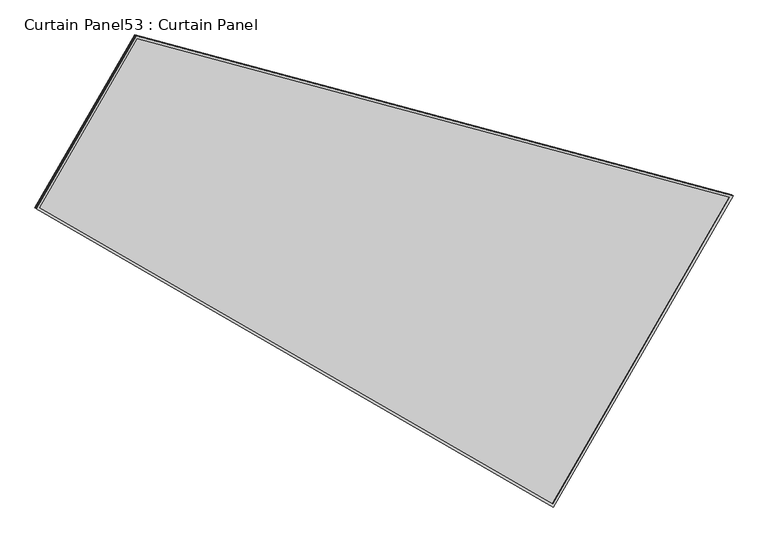
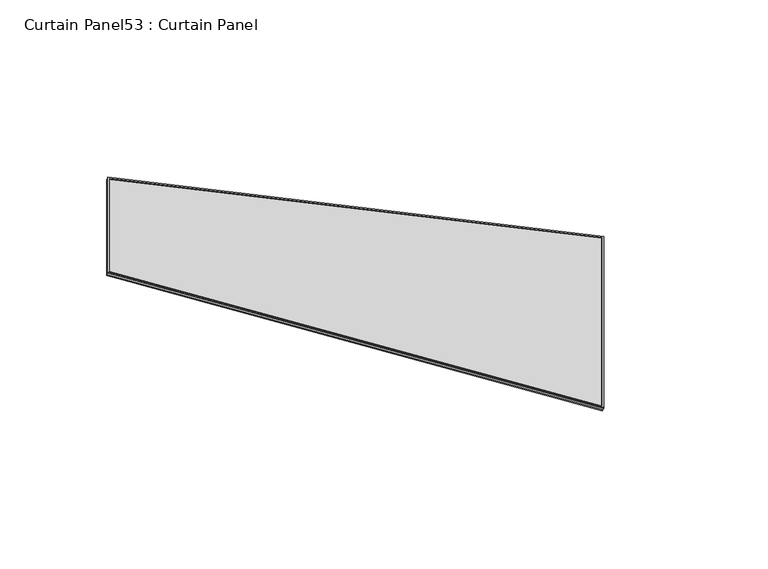
"""IFC4 building model written with IfcOpenShell, lengths in millimetres: plate geometry, Curtain Panel53 : Curtain Panel."""

import ifcopenshell
import ifcopenshell.guid

model = None  # the IFC model being written
_history = None  # IfcOwnerHistory: only IFC2X3 demands one
_inside = {}  # id of a spatial element -> (the spatial element, [elements in it])
_under = {}  # id of a project, library or spatial element -> (it, [spatial elements below it])
_declared = {}  # id of a project -> (the project, [libraries it declares])
_typed = {}  # id of a type object -> (the type object, [elements of that type])
_made_of = {}  # id of a material, layer set ... -> (it, [elements and type objects made of it])


def new_model(schema):
    """Start an empty IFC model of exactly this schema.

    Asked for "IFC4X3", IfcOpenShell would pick the latest addendum, in which some entities
    have other attributes; the version numbers below select the first issue.
    IFC2X3 requires an IfcOwnerHistory on every rooted entity: one is made here for all.
    """
    global model, _history
    if schema == "IFC4X3":
        model = ifcopenshell.file(schema_version=(4, 3, 0, 0))
    else:
        model = ifcopenshell.file(schema=schema)
    _inside.clear()
    _under.clear()
    _declared.clear()
    _typed.clear()
    _made_of.clear()
    _history = None
    if model.schema == "IFC2X3":
        org = make("IfcOrganization", Name="unknown")
        user = make(
            "IfcPersonAndOrganization",
            ThePerson=make("IfcPerson", FamilyName="unknown"),
            TheOrganization=org,
        )
        app = make(
            "IfcApplication",
            ApplicationDeveloper=org,
            Version="unknown",
            ApplicationFullName="unknown",
            ApplicationIdentifier="unknown",
        )
        _history = make(
            "IfcOwnerHistory",
            OwningUser=user,
            OwningApplication=app,
            ChangeAction="ADDED",
            CreationDate=0,
        )
    return model


def make(cls, **values):
    """One entity of the class cls with the attributes given. An attribute that is None is left unset."""
    return model.create_entity(
        cls, **{name: value for name, value in values.items() if value is not None}
    )


def rooted(cls, **values):
    """An entity with a GlobalId (a new one), such as an element, a storey or a relation."""
    return make(cls, GlobalId=ifcopenshell.guid.new(), OwnerHistory=_history, **values)


def si_unit(unit_type, name, prefix=None):
    """IfcSIUnit, for example si_unit("LENGTHUNIT", "METRE", prefix="MILLI")."""
    return make("IfcSIUnit", UnitType=unit_type, Prefix=prefix, Name=name)


def assignment(units):
    """IfcUnitAssignment: the units of a project."""
    return None if units is None else make("IfcUnitAssignment", Units=units)


def point(xyz):
    """IfcCartesianPoint."""
    return None if xyz is None else make("IfcCartesianPoint", Coordinates=xyz)


def direction(xyz):
    """IfcDirection."""
    return None if xyz is None else make("IfcDirection", DirectionRatios=xyz)


def frame(location, z_axis=None, x_axis=None):
    """IfcAxis2Placement3D, a coordinate frame: its origin and axes. An axis left out is left unset."""
    return make(
        "IfcAxis2Placement3D",
        Location=point(location),
        Axis=direction(z_axis),
        RefDirection=direction(x_axis),
    )


def origin():
    """The frame at (0, 0, 0) with its axes left unset."""
    return frame((0.0, 0.0, 0.0))


def place(relative_to, where):
    """IfcLocalPlacement: puts the frame where relative to a parent placement (None: the world)."""
    return make(
        "IfcLocalPlacement", PlacementRelTo=relative_to, RelativePlacement=where
    )


def context(
    kind, dimensions, precision=None, world=None, true_north=None, identifier=None
):
    """IfcGeometricRepresentationContext, for example the 3D "Model" context."""
    return make(
        "IfcGeometricRepresentationContext",
        ContextIdentifier=identifier,
        ContextType=kind,
        CoordinateSpaceDimension=dimensions,
        Precision=precision,
        WorldCoordinateSystem=world,
        TrueNorth=true_north,
    )


def project(units=None, contexts=None):
    """IfcProject with its units and contexts."""
    return rooted(
        "IfcProject",
        Name="project",
        RepresentationContexts=contexts,
        UnitsInContext=assignment(units),
    )


def spatial(cls, under=None, at=None, **own):
    """A site, building, storey or space (cls), placed at a placement, below another one or the project."""
    s = rooted(cls, ObjectPlacement=at, **own)
    if under is not None:
        _under.setdefault(under.id(), (under, []))[1].append(s)
    return s


def polyline(points):
    """IfcPolyline through the points."""
    return make("IfcPolyline", Points=[point(p) for p in points])


def outline(outer, holes=None, kind="AREA"):
    """IfcArbitraryClosedProfileDef: a profile drawn as a closed curve; with holes, ...WithVoids."""
    if holes is None:
        return make("IfcArbitraryClosedProfileDef", ProfileType=kind, OuterCurve=outer)
    return make(
        "IfcArbitraryProfileDefWithVoids",
        ProfileType=kind,
        OuterCurve=outer,
        InnerCurves=holes,
    )


def extrude(swept, where, along, depth):
    """IfcExtrudedAreaSolid: the profile swept, set in the frame where, extruded along a direction by depth."""
    return make(
        "IfcExtrudedAreaSolid",
        SweptArea=swept,
        Position=where,
        ExtrudedDirection=direction(along),
        Depth=depth,
    )


def shape(context_of_items, identifier, shape_type, items):
    """IfcShapeRepresentation: the items that make up one representation, for example the "Body"."""
    return make(
        "IfcShapeRepresentation",
        ContextOfItems=context_of_items,
        RepresentationIdentifier=identifier,
        RepresentationType=shape_type,
        Items=items,
    )


def source(mapping_origin, context_of_items, identifier, shape_type, items):
    """IfcRepresentationMap: a shape defined once, which mapped items show again and again."""
    return make(
        "IfcRepresentationMap",
        MappingOrigin=mapping_origin,
        MappedRepresentation=shape(context_of_items, identifier, shape_type, items),
    )


def transform(
    local_origin,
    x_axis=None,
    y_axis=None,
    z_axis=None,
    scale=None,
    scale2=None,
    scale3=None,
    uniform=True,
):
    """IfcCartesianTransformationOperator3D, or its non-uniform kind. x_axis, y_axis, z_axis: its Axis1, 2, 3."""
    if uniform:
        return make(
            "IfcCartesianTransformationOperator3D",
            Axis1=direction(x_axis),
            Axis2=direction(y_axis),
            LocalOrigin=point(local_origin),
            Scale=scale,
            Axis3=direction(z_axis),
        )
    return make(
        "IfcCartesianTransformationOperator3DnonUniform",
        Axis1=direction(x_axis),
        Axis2=direction(y_axis),
        LocalOrigin=point(local_origin),
        Scale=scale,
        Axis3=direction(z_axis),
        Scale2=scale2,
        Scale3=scale3,
    )


def mapped(mapping_source, mapping_target):
    """IfcMappedItem: shows the shape of a source again, moved by a transform."""
    return make(
        "IfcMappedItem", MappingSource=mapping_source, MappingTarget=mapping_target
    )


def made_of(thing, what):
    """Note that an element or type object is made of a material, layer set ...; save() writes the relation."""
    if what is not None:
        _made_of.setdefault(what.id(), (what, []))[1].append(thing)
    return thing


def element(
    cls,
    number,
    at=None,
    inside=None,
    cuts=None,
    type_object=None,
    material=None,
    context=None,
    identifier="Body",
    shape_type=None,
    held_by="IfcProductDefinitionShape",
    body=None,
    shapes=None,
    **own,
):
    """One element of the class cls, such as IfcWall. Its Tag is "e" and its number.

    at: its placement. inside: the storey or other place that contains it. cuts: it is an
    opening in that element (IfcRelVoidsElement). A single representation is given by context,
    identifier, shape_type and body (its items); several are given by shapes. held_by: the class
    of the entity that holds the representations. save() writes the other relations.
    """
    e = rooted(cls, Tag="e%d" % number, ObjectPlacement=at, **own)
    if body is not None:
        shapes = [shape(context, identifier, shape_type, body)]
    if shapes is not None:
        e.Representation = make(held_by, Representations=shapes)
    if inside is not None:
        _inside.setdefault(inside.id(), (inside, []))[1].append(e)
    if cuts is not None:
        rooted(
            "IfcRelVoidsElement", RelatingBuildingElement=cuts, RelatedOpeningElement=e
        )
    if type_object is not None:
        _typed.setdefault(type_object.id(), (type_object, []))[1].append(e)
    return made_of(e, material)


def aggregate(whole, parts):
    """IfcRelAggregates: a whole, such as a stair, and the parts it consists of."""
    return rooted("IfcRelAggregates", RelatingObject=whole, RelatedObjects=parts)


def save(model, path):
    """Write the relations noted so far, then the file.

    IfcRelAggregates (storeys below a building ...), IfcRelContainedInSpatialStructure (elements
    in a storey), IfcRelDefinesByType, IfcRelAssociatesMaterial and IfcRelDeclares: one each for
    every whole, place, type object, material and project.
    """
    for whole, parts in _under.values():
        aggregate(whole, parts)
    for where, things in _inside.values():
        rooted(
            "IfcRelContainedInSpatialStructure",
            RelatedElements=things,
            RelatingStructure=where,
        )
    for kind, things in _typed.values():
        rooted("IfcRelDefinesByType", RelatedObjects=things, RelatingType=kind)
    for what, things in _made_of.values():
        rooted("IfcRelAssociatesMaterial", RelatedObjects=things, RelatingMaterial=what)
    for by, libraries in _declared.values():
        rooted("IfcRelDeclares", RelatingContext=by, RelatedDefinitions=libraries)
    model.write(path)


def curtain_panel53_curtain_panel_5d743920(model_context):
    return source(origin(), model_context, "Body", "SweptSolid", [
        extrude(outline(polyline([(1623.791631, -2842.288964), (722.5275942, -2842.2889639), (0.0, 0.0), (1623.7916309, 0.0), (1623.791631, -2842.288964)]), holes=[polyline([(1612.6791309, -11.1125), (14.2907959, -11.1125), (731.1686564, -2831.176464), (1612.6791309, -2831.1764639), (1612.6791309, -11.1125)])]), frame((21657.8895275, -1191.2473083, -9.1437642), z_axis=(0.2737903148616868, -0.15807291198691067, 0.9487106081329106), x_axis=(-0.5000000000000088, -0.8660254037844337, 0.0)), (0.0, 0.0, 1.0), 4.8284778),
        extrude(outline(polyline([(1623.7916308, -2842.288964), (722.5275942, -2842.288964), (0.0, 0.0), (1623.7916309, 0.0), (1623.7916308, -2842.288964)]), holes=[polyline([(1612.6791309, -11.1125), (14.2907959, -11.1125), (731.1686564, -2831.176464), (1612.6791308, -2831.176464), (1612.6791309, -11.1125)])]), frame((21653.0597744, -1188.4588491, -25.8793379), z_axis=(0.2737903148617021, -0.15807291198691914, 0.9487106081329048), x_axis=(-0.5000000000000082, -0.8660254037844339, 0.0)), (0.0, 0.0, 1.0), 4.8028605),
        extrude(outline(polyline([(27.8036816, 0.0), (1651.5953125, 0.0), (1651.5953125, -2842.2889639), (750.3312759, -2842.288964), (27.8036816, 0.0)])), frame((21668.2765919, -1165.1393566, -21.3228132), z_axis=(0.2737903148616769, -0.15807291198690482, 0.9487106081329143), x_axis=(-0.5000000000000064, -0.866025403784435, 0.0)), (0.0, 0.0, 1.0), 12.8374753),
    ])


if __name__ == "__main__":
    model = new_model("IFC4")
    model_context = context("Model", 3, world=origin())
    ifc_project = project(units=[si_unit("LENGTHUNIT", "METRE", prefix="MILLI")], contexts=[model_context])
    site = spatial("IfcSite", under=ifc_project)
    building = spatial("IfcBuilding", under=site)
    placement = place(None, origin())
    curtain_panel53_curtain_panel_shape = curtain_panel53_curtain_panel_5d743920(model_context)
    element("IfcPlate", 1, ObjectType="Curtain Panel53 : Curtain Panel", at=placement, inside=building, context=model_context, shape_type="MappedRepresentation", body=[
        mapped(curtain_panel53_curtain_panel_shape, transform((0.0, 0.0, 0.0), x_axis=(1.0, 0.0, 0.0), y_axis=(0.0, 1.0, 0.0), z_axis=(0.0, 0.0, 1.0))),
    ])
    save(model, "model.ifc")
